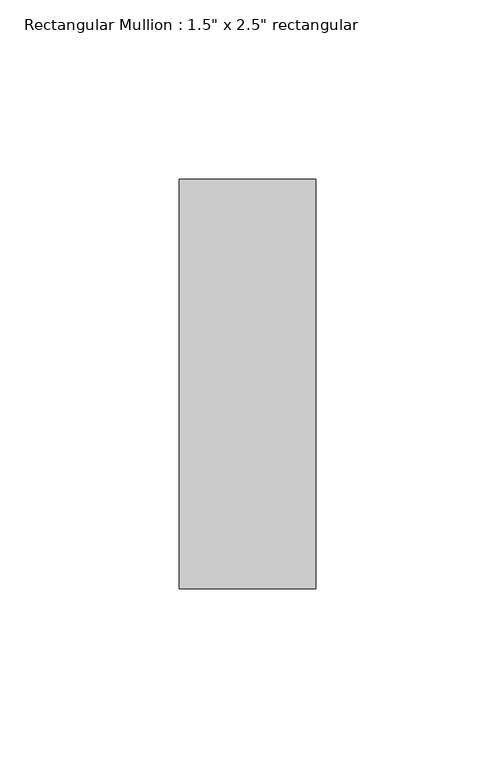
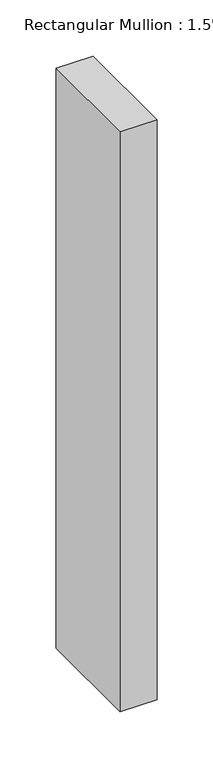
"""IFC4 building model written with IfcOpenShell, lengths in millimetres: member geometry."""

import ifcopenshell
import ifcopenshell.guid

model = None  # the IFC model being written
_history = None  # IfcOwnerHistory: only IFC2X3 demands one
_inside = {}  # id of a spatial element -> (the spatial element, [elements in it])
_under = {}  # id of a project, library or spatial element -> (it, [spatial elements below it])
_declared = {}  # id of a project -> (the project, [libraries it declares])
_typed = {}  # id of a type object -> (the type object, [elements of that type])
_made_of = {}  # id of a material, layer set ... -> (it, [elements and type objects made of it])


def new_model(schema):
    """Start an empty IFC model of exactly this schema.

    Asked for "IFC4X3", IfcOpenShell would pick the latest addendum, in which some entities
    have other attributes; the version numbers below select the first issue.
    IFC2X3 requires an IfcOwnerHistory on every rooted entity: one is made here for all.
    """
    global model, _history
    if schema == "IFC4X3":
        model = ifcopenshell.file(schema_version=(4, 3, 0, 0))
    else:
        model = ifcopenshell.file(schema=schema)
    _inside.clear()
    _under.clear()
    _declared.clear()
    _typed.clear()
    _made_of.clear()
    _history = None
    if model.schema == "IFC2X3":
        org = make("IfcOrganization", Name="unknown")
        user = make(
            "IfcPersonAndOrganization",
            ThePerson=make("IfcPerson", FamilyName="unknown"),
            TheOrganization=org,
        )
        app = make(
            "IfcApplication",
            ApplicationDeveloper=org,
            Version="unknown",
            ApplicationFullName="unknown",
            ApplicationIdentifier="unknown",
        )
        _history = make(
            "IfcOwnerHistory",
            OwningUser=user,
            OwningApplication=app,
            ChangeAction="ADDED",
            CreationDate=0,
        )
    return model


def make(cls, **values):
    """One entity of the class cls with the attributes given. An attribute that is None is left unset."""
    return model.create_entity(
        cls, **{name: value for name, value in values.items() if value is not None}
    )


def rooted(cls, **values):
    """An entity with a GlobalId (a new one), such as an element, a storey or a relation."""
    return make(cls, GlobalId=ifcopenshell.guid.new(), OwnerHistory=_history, **values)


def si_unit(unit_type, name, prefix=None):
    """IfcSIUnit, for example si_unit("LENGTHUNIT", "METRE", prefix="MILLI")."""
    return make("IfcSIUnit", UnitType=unit_type, Prefix=prefix, Name=name)


def assignment(units):
    """IfcUnitAssignment: the units of a project."""
    return None if units is None else make("IfcUnitAssignment", Units=units)


def point(xyz):
    """IfcCartesianPoint."""
    return None if xyz is None else make("IfcCartesianPoint", Coordinates=xyz)


def direction(xyz):
    """IfcDirection."""
    return None if xyz is None else make("IfcDirection", DirectionRatios=xyz)


def frame(location, z_axis=None, x_axis=None):
    """IfcAxis2Placement3D, a coordinate frame: its origin and axes. An axis left out is left unset."""
    return make(
        "IfcAxis2Placement3D",
        Location=point(location),
        Axis=direction(z_axis),
        RefDirection=direction(x_axis),
    )


def origin():
    """The frame at (0, 0, 0) with its axes left unset."""
    return frame((0.0, 0.0, 0.0))


def place(relative_to, where):
    """IfcLocalPlacement: puts the frame where relative to a parent placement (None: the world)."""
    return make(
        "IfcLocalPlacement", PlacementRelTo=relative_to, RelativePlacement=where
    )


def context(
    kind, dimensions, precision=None, world=None, true_north=None, identifier=None
):
    """IfcGeometricRepresentationContext, for example the 3D "Model" context."""
    return make(
        "IfcGeometricRepresentationContext",
        ContextIdentifier=identifier,
        ContextType=kind,
        CoordinateSpaceDimension=dimensions,
        Precision=precision,
        WorldCoordinateSystem=world,
        TrueNorth=true_north,
    )


def project(units=None, contexts=None):
    """IfcProject with its units and contexts."""
    return rooted(
        "IfcProject",
        Name="project",
        RepresentationContexts=contexts,
        UnitsInContext=assignment(units),
    )


def spatial(cls, under=None, at=None, **own):
    """A site, building, storey or space (cls), placed at a placement, below another one or the project."""
    s = rooted(cls, ObjectPlacement=at, **own)
    if under is not None:
        _under.setdefault(under.id(), (under, []))[1].append(s)
    return s


def polyline(points):
    """IfcPolyline through the points."""
    return make("IfcPolyline", Points=[point(p) for p in points])


def outline(outer, holes=None, kind="AREA"):
    """IfcArbitraryClosedProfileDef: a profile drawn as a closed curve; with holes, ...WithVoids."""
    if holes is None:
        return make("IfcArbitraryClosedProfileDef", ProfileType=kind, OuterCurve=outer)
    return make(
        "IfcArbitraryProfileDefWithVoids",
        ProfileType=kind,
        OuterCurve=outer,
        InnerCurves=holes,
    )


def extrude(swept, where, along, depth):
    """IfcExtrudedAreaSolid: the profile swept, set in the frame where, extruded along a direction by depth."""
    return make(
        "IfcExtrudedAreaSolid",
        SweptArea=swept,
        Position=where,
        ExtrudedDirection=direction(along),
        Depth=depth,
    )


def shape(context_of_items, identifier, shape_type, items):
    """IfcShapeRepresentation: the items that make up one representation, for example the "Body"."""
    return make(
        "IfcShapeRepresentation",
        ContextOfItems=context_of_items,
        RepresentationIdentifier=identifier,
        RepresentationType=shape_type,
        Items=items,
    )


def source(mapping_origin, context_of_items, identifier, shape_type, items):
    """IfcRepresentationMap: a shape defined once, which mapped items show again and again."""
    return make(
        "IfcRepresentationMap",
        MappingOrigin=mapping_origin,
        MappedRepresentation=shape(context_of_items, identifier, shape_type, items),
    )


def transform(
    local_origin,
    x_axis=None,
    y_axis=None,
    z_axis=None,
    scale=None,
    scale2=None,
    scale3=None,
    uniform=True,
):
    """IfcCartesianTransformationOperator3D, or its non-uniform kind. x_axis, y_axis, z_axis: its Axis1, 2, 3."""
    if uniform:
        return make(
            "IfcCartesianTransformationOperator3D",
            Axis1=direction(x_axis),
            Axis2=direction(y_axis),
            LocalOrigin=point(local_origin),
            Scale=scale,
            Axis3=direction(z_axis),
        )
    return make(
        "IfcCartesianTransformationOperator3DnonUniform",
        Axis1=direction(x_axis),
        Axis2=direction(y_axis),
        LocalOrigin=point(local_origin),
        Scale=scale,
        Axis3=direction(z_axis),
        Scale2=scale2,
        Scale3=scale3,
    )


def mapped(mapping_source, mapping_target):
    """IfcMappedItem: shows the shape of a source again, moved by a transform."""
    return make(
        "IfcMappedItem", MappingSource=mapping_source, MappingTarget=mapping_target
    )


def made_of(thing, what):
    """Note that an element or type object is made of a material, layer set ...; save() writes the relation."""
    if what is not None:
        _made_of.setdefault(what.id(), (what, []))[1].append(thing)
    return thing


def element(
    cls,
    number,
    at=None,
    inside=None,
    cuts=None,
    type_object=None,
    material=None,
    context=None,
    identifier="Body",
    shape_type=None,
    held_by="IfcProductDefinitionShape",
    body=None,
    shapes=None,
    **own,
):
    """One element of the class cls, such as IfcWall. Its Tag is "e" and its number.

    at: its placement. inside: the storey or other place that contains it. cuts: it is an
    opening in that element (IfcRelVoidsElement). A single representation is given by context,
    identifier, shape_type and body (its items); several are given by shapes. held_by: the class
    of the entity that holds the representations. save() writes the other relations.
    """
    e = rooted(cls, Tag="e%d" % number, ObjectPlacement=at, **own)
    if body is not None:
        shapes = [shape(context, identifier, shape_type, body)]
    if shapes is not None:
        e.Representation = make(held_by, Representations=shapes)
    if inside is not None:
        _inside.setdefault(inside.id(), (inside, []))[1].append(e)
    if cuts is not None:
        rooted(
            "IfcRelVoidsElement", RelatingBuildingElement=cuts, RelatedOpeningElement=e
        )
    if type_object is not None:
        _typed.setdefault(type_object.id(), (type_object, []))[1].append(e)
    return made_of(e, material)


def aggregate(whole, parts):
    """IfcRelAggregates: a whole, such as a stair, and the parts it consists of."""
    return rooted("IfcRelAggregates", RelatingObject=whole, RelatedObjects=parts)


def save(model, path):
    """Write the relations noted so far, then the file.

    IfcRelAggregates (storeys below a building ...), IfcRelContainedInSpatialStructure (elements
    in a storey), IfcRelDefinesByType, IfcRelAssociatesMaterial and IfcRelDeclares: one each for
    every whole, place, type object, material and project.
    """
    for whole, parts in _under.values():
        aggregate(whole, parts)
    for where, things in _inside.values():
        rooted(
            "IfcRelContainedInSpatialStructure",
            RelatedElements=things,
            RelatingStructure=where,
        )
    for kind, things in _typed.values():
        rooted("IfcRelDefinesByType", RelatedObjects=things, RelatingType=kind)
    for what, things in _made_of.values():
        rooted("IfcRelAssociatesMaterial", RelatedObjects=things, RelatingMaterial=what)
    for by, libraries in _declared.values():
        rooted("IfcRelDeclares", RelatingContext=by, RelatedDefinitions=libraries)
    model.write(path)


def member_8004690c(model_context):
    return source(origin(), model_context, "Body", "SweptSolid", [
        extrude(outline(polyline([(0.0, 57.15), (0.0, -57.15), (-38.1, -57.15), (-38.1, 57.15), (0.0, 57.15)])), frame((0.0, 0.0, -631.825), z_axis=(0.0, 0.0, 1.0), x_axis=(1.0, 0.0, 0.0)), (0.0, 0.0, 1.0), 631.825),
    ])


if __name__ == "__main__":
    model = new_model("IFC4")
    model_context = context("Model", 3, world=origin())
    ifc_project = project(units=[si_unit("LENGTHUNIT", "METRE", prefix="MILLI")], contexts=[model_context])
    site = spatial("IfcSite", under=ifc_project)
    building = spatial("IfcBuilding", under=site)
    placement = place(None, origin())
    member_shape = member_8004690c(model_context)
    element("IfcMember", 1, ObjectType="Rectangular Mullion : 1.5\" x 2.5\" rectangular", at=placement, inside=building, context=model_context, shape_type="MappedRepresentation", body=[
        mapped(member_shape, transform((0.0, 0.0, 0.0), x_axis=(1.0, 0.0, 0.0), y_axis=(0.0, 1.0, 0.0), z_axis=(0.0, 0.0, 1.0))),
    ])
    save(model, "model.ifc")
